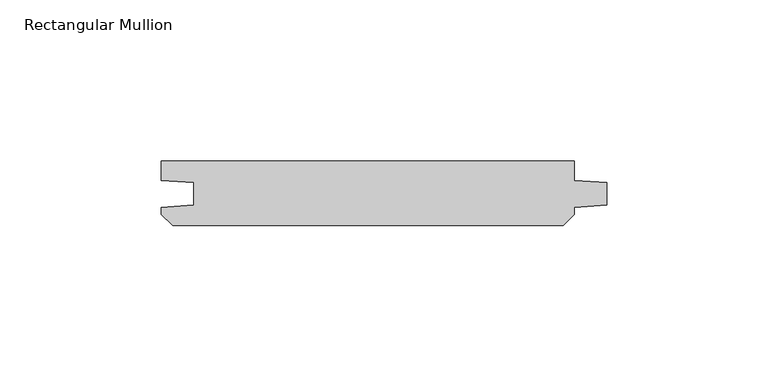
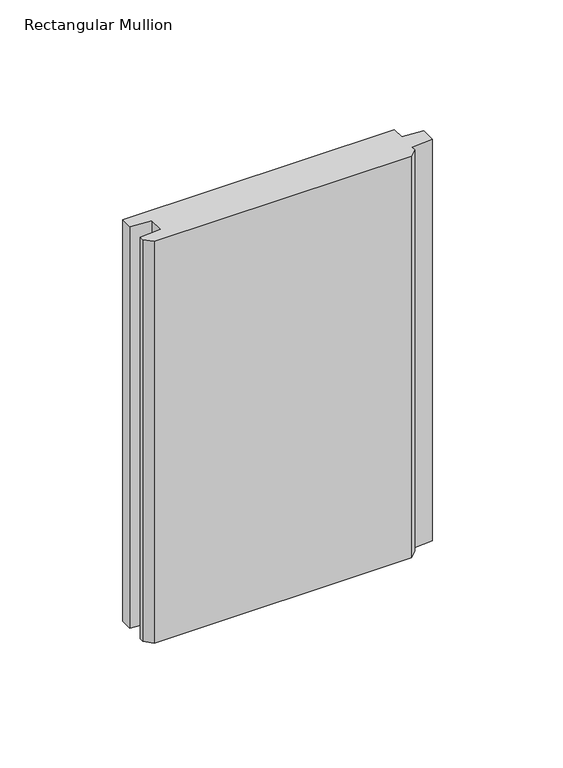
"""IFC4 building model written with IfcOpenShell, lengths in millimetres: member geometry, Rectangular Mullion."""

from ifc_helpers import new_model, si_unit, frame, origin, place, context, project, spatial, polyline, outline, extrude, source, transform, mapped, element, save


def rectangular_mullion_b3bb3b43(model_context):
    return source(origin(), model_context, "Body", "SweptSolid", [
        extrude(outline(polyline([(-10.0, 0.0), (-10.0, -5.9651903), (0.0, -6.6644584), (0.0, -13.6642442), (-10.0, -14.3635124), (-10.0, -16.5283124), (-13.4716876, -20.0), (-134.5283124, -20.0), (-138.0, -16.5283124), (-138.0, -14.3635124), (-128.0, -13.6642442), (-128.0, -6.6644584), (-138.0, -5.9651903), (-138.0, 0.0), (-10.0, 0.0)])), frame((0.0, 0.0, -200.0), z_axis=(0.0, 0.0, 1.0), x_axis=(1.0, 0.0, 0.0)), (0.0, 0.0, 1.0), 200.0),
    ])


if __name__ == "__main__":
    model = new_model("IFC4")
    model_context = context("Model", 3, world=origin())
    ifc_project = project(units=[si_unit("LENGTHUNIT", "METRE", prefix="MILLI")], contexts=[model_context])
    site = spatial("IfcSite", under=ifc_project)
    building = spatial("IfcBuilding", under=site)
    placement = place(None, origin())
    rectangular_mullion_shape = rectangular_mullion_b3bb3b43(model_context)
    element("IfcMember", 1, ObjectType="Rectangular Mullion", at=placement, inside=building, context=model_context, shape_type="MappedRepresentation", body=[
        mapped(rectangular_mullion_shape, transform((0.0, 0.0, 0.0), x_axis=(1.0, 0.0, 0.0), y_axis=(0.0, 1.0, 0.0), z_axis=(0.0, 0.0, 1.0))),
    ])
    save(model, "model.ifc")
